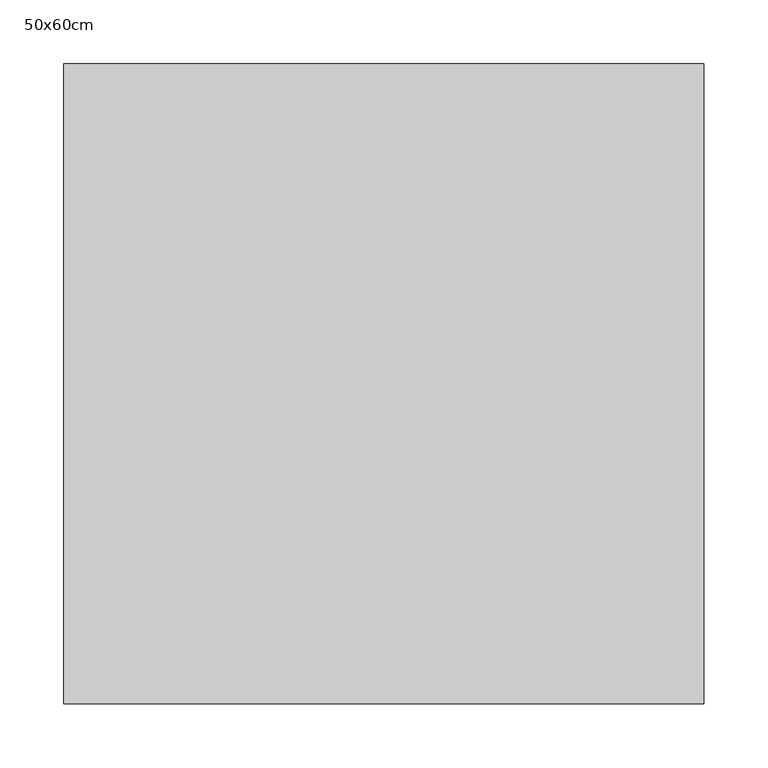
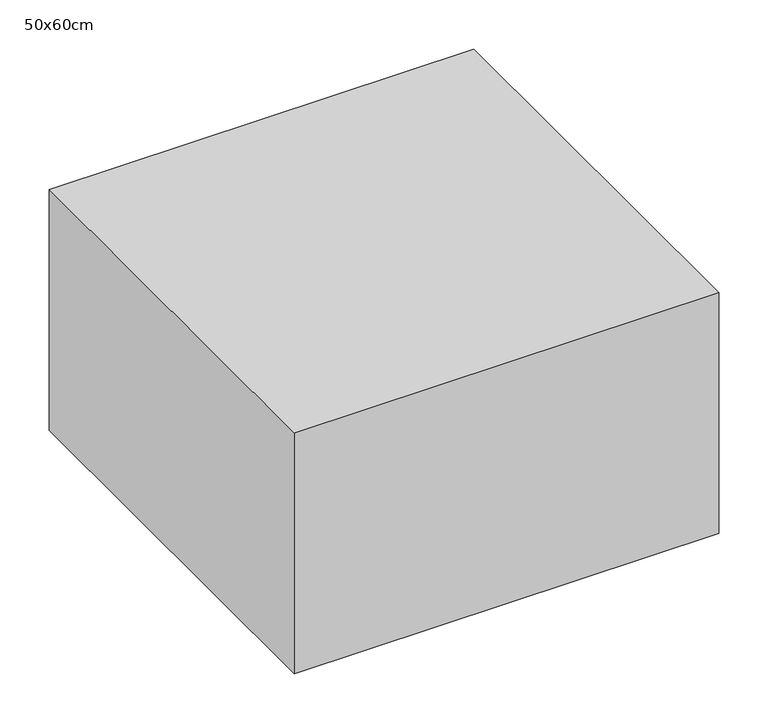
"""IFC4 building model written with IfcOpenShell, lengths in millimetres: proxy geometry, 50x60cm."""

from ifc_helpers import new_model, si_unit, frame, origin, place, context, project, spatial, polyline, outline, extrude, source, transform, mapped, element, save


def proxy_50x60cm_51e54e23(model_context):
    return source(origin(), model_context, "Body", "SweptSolid", [
        extrude(outline(polyline([(500.0, 500.0), (500.0, 0.0), (0.0, 0.0), (0.0, 500.0), (500.0, 500.0)])), frame((0.0, 0.0, 100.0), z_axis=(0.0, 0.0, 1.0), x_axis=(1.0, 0.0, 0.0)), (0.0, 0.0, 1.0), 300.0),
    ])


if __name__ == "__main__":
    model = new_model("IFC4")
    model_context = context("Model", 3, world=origin())
    ifc_project = project(units=[si_unit("LENGTHUNIT", "METRE", prefix="MILLI")], contexts=[model_context])
    site = spatial("IfcSite", under=ifc_project)
    building = spatial("IfcBuilding", under=site)
    placement = place(None, origin())
    proxy_50x60cm_shape = proxy_50x60cm_51e54e23(model_context)
    element("IfcBuildingElementProxy", 1, Name="50x60cm", ObjectType="50x60cm", at=placement, inside=building, context=model_context, shape_type="MappedRepresentation", body=[
        mapped(proxy_50x60cm_shape, transform((0.0, 0.0, 0.0), x_axis=(1.0, 0.0, 0.0), y_axis=(0.0, 1.0, 0.0), z_axis=(0.0, 0.0, 1.0))),
    ])
    save(model, "model.ifc")
